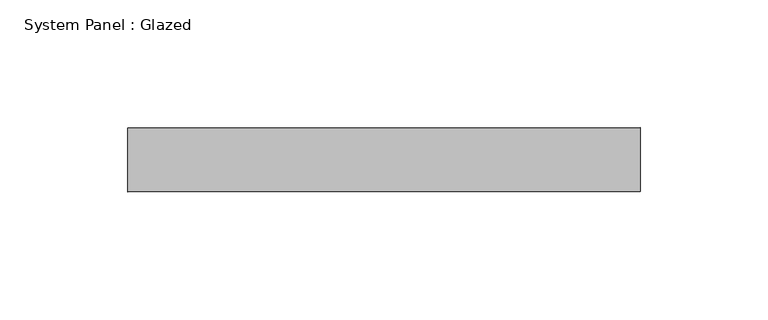
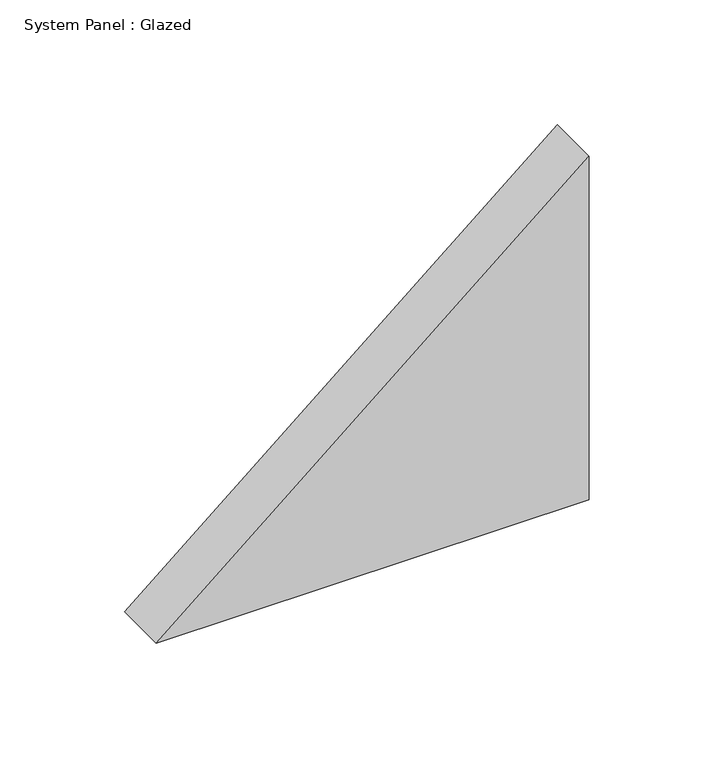
"""IFC4 building model written with IfcOpenShell, lengths in millimetres: plate geometry, System Panel : Glazed."""

from ifc_helpers import new_model, si_unit, frame, origin, place, context, project, spatial, polyline, outline, extrude, source, transform, mapped, element, save


def system_panel_glazed_62ba9aa1(model_context):
    return source(origin(), model_context, "Body", "SweptSolid", [
        extrude(outline(polyline([(0.0, -100.0000002), (0.0, 100.0000002), (167.8199265, 100.0000002), (0.0, -100.0000002)])), frame((0.0, 24.5, 0.0), z_axis=(0.0, 1.0, 0.0), x_axis=(0.0, 0.0, 1.0)), (0.0, 0.0, 1.0), 25.0),
    ])


if __name__ == "__main__":
    model = new_model("IFC4")
    model_context = context("Model", 3, world=origin())
    ifc_project = project(units=[si_unit("LENGTHUNIT", "METRE", prefix="MILLI")], contexts=[model_context])
    site = spatial("IfcSite", under=ifc_project)
    building = spatial("IfcBuilding", under=site)
    placement = place(None, origin())
    system_panel_glazed_shape = system_panel_glazed_62ba9aa1(model_context)
    element("IfcPlate", 1, ObjectType="System Panel : Glazed", at=placement, inside=building, context=model_context, shape_type="MappedRepresentation", body=[
        mapped(system_panel_glazed_shape, transform((0.0, 0.0, 0.0), x_axis=(1.0, 0.0, 0.0), y_axis=(0.0, 1.0, 0.0), z_axis=(0.0, 0.0, 1.0))),
    ])
    save(model, "model.ifc")
